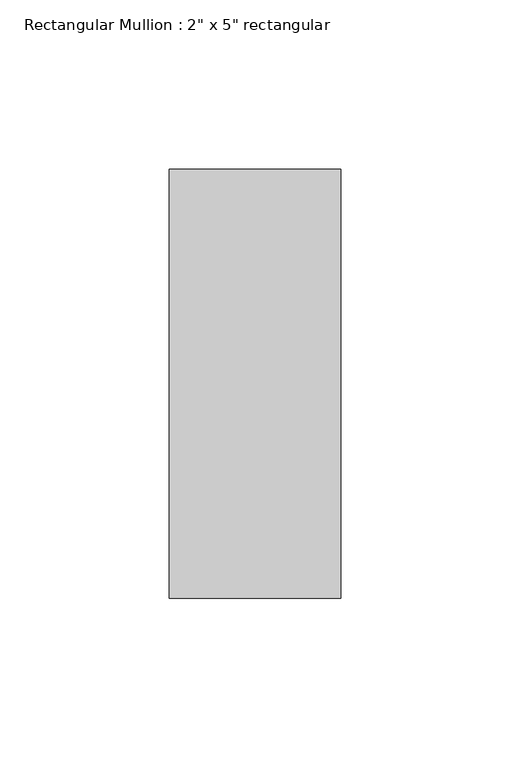
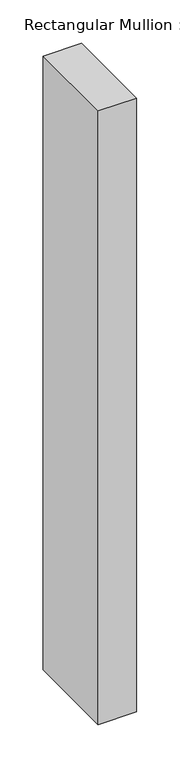
"""IFC4 building model written with IfcOpenShell, lengths in millimetres: member geometry."""

from ifc_helpers import new_model, si_unit, frame, origin, place, context, project, spatial, polyline, outline, extrude, source, transform, mapped, element, save


def member_0cd1e07f(model_context):
    return source(origin(), model_context, "Body", "SweptSolid", [
        extrude(outline(polyline([(0.0, 63.5), (0.0, -63.5), (-50.8, -63.5), (-50.8, 63.5), (0.0, 63.5)])), frame((0.0, 0.0, -863.6), z_axis=(0.0, 0.0, 1.0), x_axis=(1.0, 0.0, 0.0)), (0.0, 0.0, 1.0), 863.6),
    ])


if __name__ == "__main__":
    model = new_model("IFC4")
    model_context = context("Model", 3, world=origin())
    ifc_project = project(units=[si_unit("LENGTHUNIT", "METRE", prefix="MILLI")], contexts=[model_context])
    site = spatial("IfcSite", under=ifc_project)
    building = spatial("IfcBuilding", under=site)
    placement = place(None, origin())
    member_shape = member_0cd1e07f(model_context)
    element("IfcMember", 1, ObjectType="Rectangular Mullion : 2\" x 5\" rectangular", at=placement, inside=building, context=model_context, shape_type="MappedRepresentation", body=[
        mapped(member_shape, transform((0.0, 0.0, 0.0), x_axis=(1.0, 0.0, 0.0), y_axis=(0.0, 1.0, 0.0), z_axis=(0.0, 0.0, 1.0))),
    ])
    save(model, "model.ifc")
